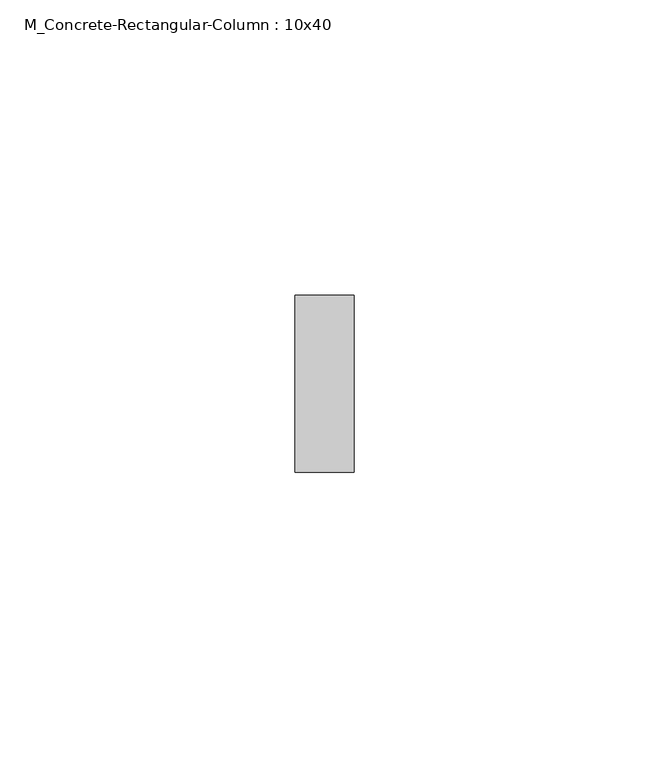
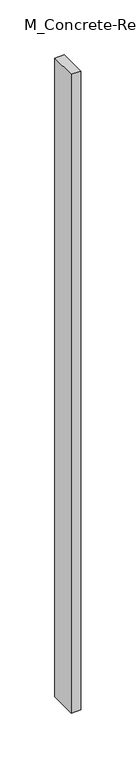
"""IFC4 building model written with IfcOpenShell, lengths in millimetres: column geometry, M_Concrete-Rectangular-Column : 10x40."""

import ifcopenshell
import ifcopenshell.guid

model = None  # the IFC model being written
_history = None  # IfcOwnerHistory: only IFC2X3 demands one
_inside = {}  # id of a spatial element -> (the spatial element, [elements in it])
_under = {}  # id of a project, library or spatial element -> (it, [spatial elements below it])
_declared = {}  # id of a project -> (the project, [libraries it declares])
_typed = {}  # id of a type object -> (the type object, [elements of that type])
_made_of = {}  # id of a material, layer set ... -> (it, [elements and type objects made of it])


def new_model(schema):
    """Start an empty IFC model of exactly this schema.

    Asked for "IFC4X3", IfcOpenShell would pick the latest addendum, in which some entities
    have other attributes; the version numbers below select the first issue.
    IFC2X3 requires an IfcOwnerHistory on every rooted entity: one is made here for all.
    """
    global model, _history
    if schema == "IFC4X3":
        model = ifcopenshell.file(schema_version=(4, 3, 0, 0))
    else:
        model = ifcopenshell.file(schema=schema)
    _inside.clear()
    _under.clear()
    _declared.clear()
    _typed.clear()
    _made_of.clear()
    _history = None
    if model.schema == "IFC2X3":
        org = make("IfcOrganization", Name="unknown")
        user = make(
            "IfcPersonAndOrganization",
            ThePerson=make("IfcPerson", FamilyName="unknown"),
            TheOrganization=org,
        )
        app = make(
            "IfcApplication",
            ApplicationDeveloper=org,
            Version="unknown",
            ApplicationFullName="unknown",
            ApplicationIdentifier="unknown",
        )
        _history = make(
            "IfcOwnerHistory",
            OwningUser=user,
            OwningApplication=app,
            ChangeAction="ADDED",
            CreationDate=0,
        )
    return model


def make(cls, **values):
    """One entity of the class cls with the attributes given. An attribute that is None is left unset."""
    return model.create_entity(
        cls, **{name: value for name, value in values.items() if value is not None}
    )


def rooted(cls, **values):
    """An entity with a GlobalId (a new one), such as an element, a storey or a relation."""
    return make(cls, GlobalId=ifcopenshell.guid.new(), OwnerHistory=_history, **values)


def si_unit(unit_type, name, prefix=None):
    """IfcSIUnit, for example si_unit("LENGTHUNIT", "METRE", prefix="MILLI")."""
    return make("IfcSIUnit", UnitType=unit_type, Prefix=prefix, Name=name)


def assignment(units):
    """IfcUnitAssignment: the units of a project."""
    return None if units is None else make("IfcUnitAssignment", Units=units)


def point(xyz):
    """IfcCartesianPoint."""
    return None if xyz is None else make("IfcCartesianPoint", Coordinates=xyz)


def direction(xyz):
    """IfcDirection."""
    return None if xyz is None else make("IfcDirection", DirectionRatios=xyz)


def frame(location, z_axis=None, x_axis=None):
    """IfcAxis2Placement3D, a coordinate frame: its origin and axes. An axis left out is left unset."""
    return make(
        "IfcAxis2Placement3D",
        Location=point(location),
        Axis=direction(z_axis),
        RefDirection=direction(x_axis),
    )


def origin():
    """The frame at (0, 0, 0) with its axes left unset."""
    return frame((0.0, 0.0, 0.0))


def origin_with_axes():
    """The frame at (0, 0, 0) with the z axis (0, 0, 1) and the x axis (1, 0, 0) written out."""
    return frame((0.0, 0.0, 0.0), z_axis=(0.0, 0.0, 1.0), x_axis=(1.0, 0.0, 0.0))


def place(relative_to, where):
    """IfcLocalPlacement: puts the frame where relative to a parent placement (None: the world)."""
    return make(
        "IfcLocalPlacement", PlacementRelTo=relative_to, RelativePlacement=where
    )


def context(
    kind, dimensions, precision=None, world=None, true_north=None, identifier=None
):
    """IfcGeometricRepresentationContext, for example the 3D "Model" context."""
    return make(
        "IfcGeometricRepresentationContext",
        ContextIdentifier=identifier,
        ContextType=kind,
        CoordinateSpaceDimension=dimensions,
        Precision=precision,
        WorldCoordinateSystem=world,
        TrueNorth=true_north,
    )


def project(units=None, contexts=None):
    """IfcProject with its units and contexts."""
    return rooted(
        "IfcProject",
        Name="project",
        RepresentationContexts=contexts,
        UnitsInContext=assignment(units),
    )


def spatial(cls, under=None, at=None, **own):
    """A site, building, storey or space (cls), placed at a placement, below another one or the project."""
    s = rooted(cls, ObjectPlacement=at, **own)
    if under is not None:
        _under.setdefault(under.id(), (under, []))[1].append(s)
    return s


def polyline(points):
    """IfcPolyline through the points."""
    return make("IfcPolyline", Points=[point(p) for p in points])


def outline(outer, holes=None, kind="AREA"):
    """IfcArbitraryClosedProfileDef: a profile drawn as a closed curve; with holes, ...WithVoids."""
    if holes is None:
        return make("IfcArbitraryClosedProfileDef", ProfileType=kind, OuterCurve=outer)
    return make(
        "IfcArbitraryProfileDefWithVoids",
        ProfileType=kind,
        OuterCurve=outer,
        InnerCurves=holes,
    )


def extrude(swept, where, along, depth):
    """IfcExtrudedAreaSolid: the profile swept, set in the frame where, extruded along a direction by depth."""
    return make(
        "IfcExtrudedAreaSolid",
        SweptArea=swept,
        Position=where,
        ExtrudedDirection=direction(along),
        Depth=depth,
    )


def shape(context_of_items, identifier, shape_type, items):
    """IfcShapeRepresentation: the items that make up one representation, for example the "Body"."""
    return make(
        "IfcShapeRepresentation",
        ContextOfItems=context_of_items,
        RepresentationIdentifier=identifier,
        RepresentationType=shape_type,
        Items=items,
    )


def source(mapping_origin, context_of_items, identifier, shape_type, items):
    """IfcRepresentationMap: a shape defined once, which mapped items show again and again."""
    return make(
        "IfcRepresentationMap",
        MappingOrigin=mapping_origin,
        MappedRepresentation=shape(context_of_items, identifier, shape_type, items),
    )


def transform(
    local_origin,
    x_axis=None,
    y_axis=None,
    z_axis=None,
    scale=None,
    scale2=None,
    scale3=None,
    uniform=True,
):
    """IfcCartesianTransformationOperator3D, or its non-uniform kind. x_axis, y_axis, z_axis: its Axis1, 2, 3."""
    if uniform:
        return make(
            "IfcCartesianTransformationOperator3D",
            Axis1=direction(x_axis),
            Axis2=direction(y_axis),
            LocalOrigin=point(local_origin),
            Scale=scale,
            Axis3=direction(z_axis),
        )
    return make(
        "IfcCartesianTransformationOperator3DnonUniform",
        Axis1=direction(x_axis),
        Axis2=direction(y_axis),
        LocalOrigin=point(local_origin),
        Scale=scale,
        Axis3=direction(z_axis),
        Scale2=scale2,
        Scale3=scale3,
    )


def mapped(mapping_source, mapping_target):
    """IfcMappedItem: shows the shape of a source again, moved by a transform."""
    return make(
        "IfcMappedItem", MappingSource=mapping_source, MappingTarget=mapping_target
    )


def made_of(thing, what):
    """Note that an element or type object is made of a material, layer set ...; save() writes the relation."""
    if what is not None:
        _made_of.setdefault(what.id(), (what, []))[1].append(thing)
    return thing


def element(
    cls,
    number,
    at=None,
    inside=None,
    cuts=None,
    type_object=None,
    material=None,
    context=None,
    identifier="Body",
    shape_type=None,
    held_by="IfcProductDefinitionShape",
    body=None,
    shapes=None,
    **own,
):
    """One element of the class cls, such as IfcWall. Its Tag is "e" and its number.

    at: its placement. inside: the storey or other place that contains it. cuts: it is an
    opening in that element (IfcRelVoidsElement). A single representation is given by context,
    identifier, shape_type and body (its items); several are given by shapes. held_by: the class
    of the entity that holds the representations. save() writes the other relations.
    """
    e = rooted(cls, Tag="e%d" % number, ObjectPlacement=at, **own)
    if body is not None:
        shapes = [shape(context, identifier, shape_type, body)]
    if shapes is not None:
        e.Representation = make(held_by, Representations=shapes)
    if inside is not None:
        _inside.setdefault(inside.id(), (inside, []))[1].append(e)
    if cuts is not None:
        rooted(
            "IfcRelVoidsElement", RelatingBuildingElement=cuts, RelatedOpeningElement=e
        )
    if type_object is not None:
        _typed.setdefault(type_object.id(), (type_object, []))[1].append(e)
    return made_of(e, material)


def aggregate(whole, parts):
    """IfcRelAggregates: a whole, such as a stair, and the parts it consists of."""
    return rooted("IfcRelAggregates", RelatingObject=whole, RelatedObjects=parts)


def save(model, path):
    """Write the relations noted so far, then the file.

    IfcRelAggregates (storeys below a building ...), IfcRelContainedInSpatialStructure (elements
    in a storey), IfcRelDefinesByType, IfcRelAssociatesMaterial and IfcRelDeclares: one each for
    every whole, place, type object, material and project.
    """
    for whole, parts in _under.values():
        aggregate(whole, parts)
    for where, things in _inside.values():
        rooted(
            "IfcRelContainedInSpatialStructure",
            RelatedElements=things,
            RelatingStructure=where,
        )
    for kind, things in _typed.values():
        rooted("IfcRelDefinesByType", RelatedObjects=things, RelatingType=kind)
    for what, things in _made_of.values():
        rooted("IfcRelAssociatesMaterial", RelatedObjects=things, RelatingMaterial=what)
    for by, libraries in _declared.values():
        rooted("IfcRelDeclares", RelatingContext=by, RelatedDefinitions=libraries)
    model.write(path)


def m_concrete_rectangular_column_10x40_a953654a(model_context):
    return source(origin(), model_context, "Body", "SweptSolid", [
        extrude(outline(polyline([(5.0, -15.0), (-5.0, -15.0), (-5.0, 15.0), (5.0, 15.0), (5.0, -15.0)])), origin_with_axes(), (0.0, 0.0, 1.0), 710.0),
    ])


if __name__ == "__main__":
    model = new_model("IFC4")
    model_context = context("Model", 3, world=origin())
    ifc_project = project(units=[si_unit("LENGTHUNIT", "METRE", prefix="MILLI")], contexts=[model_context])
    site = spatial("IfcSite", under=ifc_project)
    building = spatial("IfcBuilding", under=site)
    placement = place(None, origin())
    m_concrete_rectangular_column_10x40_shape = m_concrete_rectangular_column_10x40_a953654a(model_context)
    element("IfcColumn", 1, ObjectType="M_Concrete-Rectangular-Column : 10x40", at=placement, inside=building, context=model_context, shape_type="MappedRepresentation", body=[
        mapped(m_concrete_rectangular_column_10x40_shape, transform((0.0, 0.0, 0.0), x_axis=(1.0, 0.0, 0.0), y_axis=(0.0, 1.0, 0.0), z_axis=(0.0, 0.0, 1.0))),
    ])
    save(model, "model.ifc")
